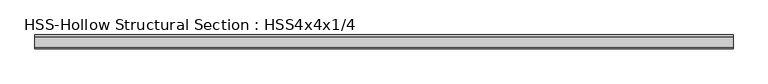
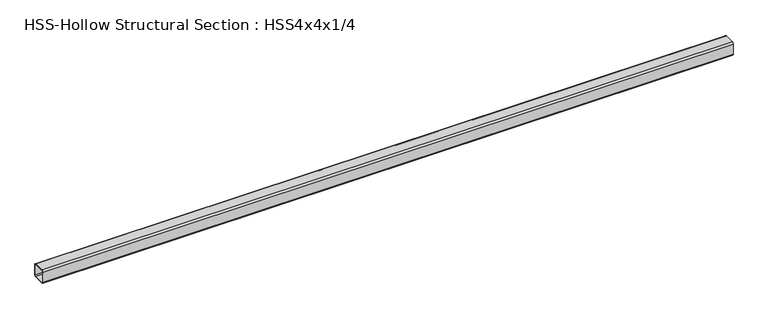
"""IFC4 building model written with IfcOpenShell, lengths in millimetres: member geometry, HSS-Hollow Structural Section : HSS4x4x1/4."""

from ifc_helpers import new_model, si_unit, point, frame, frame_2d, origin, place, context, project, spatial, polyline, circle_curve, trimmed, segment, composite_curve, outline, extrude, source, transform, mapped, element, save


def hss_hollow_structural_section_hss4x4x1_4_b87d8e57(model_context):
    return source(origin(), model_context, "Body", "SweptSolid", [
        extrude(outline(composite_curve([segment(polyline([(50.8, 38.9636), (50.8, -38.9636)]), True, "CONTINUOUS"), segment(trimmed(circle_curve(frame_2d((38.9636, -38.9636)), 11.8364), [point((50.8, -38.9636))], [point((38.9636, -50.8))], False, "CARTESIAN"), True, "CONTINUOUS"), segment(polyline([(38.9636, -50.8), (-38.9636, -50.8)]), True, "CONTINUOUS"), segment(trimmed(circle_curve(frame_2d((-38.9636, -38.9636)), 11.8364), [point((-38.9636, -50.8))], [point((-50.8, -38.9636))], False, "CARTESIAN"), True, "CONTINUOUS"), segment(polyline([(-50.8, -38.9636), (-50.8, 38.9636)]), True, "CONTINUOUS"), segment(trimmed(circle_curve(frame_2d((-38.9636, 38.9636)), 11.8364), [point((-50.8, 38.9636))], [point((-38.9636, 50.8))], False, "CARTESIAN"), True, "CONTINUOUS"), segment(polyline([(-38.9636, 50.8), (38.9636, 50.8)]), True, "CONTINUOUS"), segment(trimmed(circle_curve(frame_2d((38.9636, 38.9636)), 11.8364), [point((38.9636, 50.8))], [point((50.8, 38.9636))], False, "CARTESIAN"), True, "CONTINUOUS")], self_intersect=False), holes=[composite_curve([segment(trimmed(circle_curve(frame_2d((-38.9636, 38.9636)), 5.9182), [point((-38.9636, 44.8818))], [point((-44.8818, 38.9636))], True, "CARTESIAN"), True, "CONTINUOUS"), segment(polyline([(-44.8818, 38.9636), (-44.8818, -38.9636)]), True, "CONTINUOUS"), segment(trimmed(circle_curve(frame_2d((-38.9636, -38.9636)), 5.9182), [point((-44.8818, -38.9636))], [point((-38.9636, -44.8818))], True, "CARTESIAN"), True, "CONTINUOUS"), segment(polyline([(-38.9636, -44.8818), (38.9636, -44.8818)]), True, "CONTINUOUS"), segment(trimmed(circle_curve(frame_2d((38.9636, -38.9636)), 5.9182), [point((38.9636, -44.8818))], [point((44.8818, -38.9636))], True, "CARTESIAN"), True, "CONTINUOUS"), segment(polyline([(44.8818, -38.9636), (44.8818, 38.9636)]), True, "CONTINUOUS"), segment(trimmed(circle_curve(frame_2d((38.9636, 38.9636)), 5.9182), [point((44.8818, 38.9636))], [point((38.9636, 44.8818))], True, "CARTESIAN"), True, "CONTINUOUS"), segment(polyline([(38.9636, 44.8818), (-38.9636, 44.8818)]), True, "CONTINUOUS")], self_intersect=False)]), frame((-2657.2874679, 0.0, 0.0), z_axis=(1.0, 0.0, 0.0), x_axis=(0.0, 1.0, 0.0)), (0.0, 0.0, 1.0), 5120.577536),
    ])


if __name__ == "__main__":
    model = new_model("IFC4")
    model_context = context("Model", 3, world=origin())
    ifc_project = project(units=[si_unit("LENGTHUNIT", "METRE", prefix="MILLI")], contexts=[model_context])
    site = spatial("IfcSite", under=ifc_project)
    building = spatial("IfcBuilding", under=site)
    placement = place(None, origin())
    hss_hollow_structural_section_hss4x4x1_4_shape = hss_hollow_structural_section_hss4x4x1_4_b87d8e57(model_context)
    element("IfcMember", 1, ObjectType="HSS-Hollow Structural Section : HSS4x4x1/4", at=placement, inside=building, context=model_context, shape_type="MappedRepresentation", body=[
        mapped(hss_hollow_structural_section_hss4x4x1_4_shape, transform((0.0, 0.0, 0.0), x_axis=(1.0, 0.0, 0.0), y_axis=(0.0, 1.0, 0.0), z_axis=(0.0, 0.0, 1.0))),
    ])
    save(model, "model.ifc")
